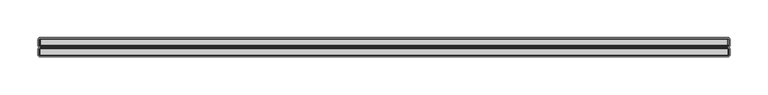
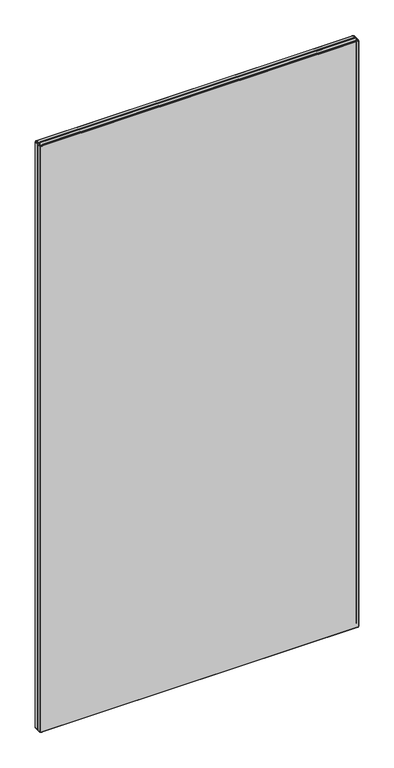
"""IFC4 building model written with IfcOpenShell, lengths in millimetres: furniture geometry."""

from ifc_helpers import new_model, si_unit, origin, place, context, project, spatial, triangles, source, transform, mapped, element, save


def furniture_0bd4a332(model_context):
    return source(origin(), model_context, "Body", "Tessellation", [
        triangles([(3734.4521896, 6006.3662629, 207.2580069), (3734.4521896, 5998.1983021, 207.2580069), (3733.3942599, 5998.1983021, 207.964995), (3733.3942599, 6006.3662629, 207.964995), (3735.6992065, 6007.8142849, 1981.3950462), (3735.0701751, 6007.8142849, 1981.2700539), (3734.6752864, 6007.3912003, 1982.2240654), (3735.6992065, 6007.3912003, 1982.42696), (3733.2262469, 6007.3912003, 209.2450041), (3732.6881984, 6006.3662629, 209.0219981), (3732.439231, 6006.3662629, 210.269996), (3733.0221896, 6007.3912003, 210.269996), (3734.6752864, 6007.3912003, 207.7970002), (3735.0701751, 6007.8142849, 208.7509935), (3735.6992065, 6007.8142849, 208.6260012), (3735.6992065, 6007.3912003, 207.5929974), (4643.1802974, 6006.3662629, 1983.0100639), (3735.6992065, 6006.3662629, 1983.0100639), (3735.6992065, 5998.1983021, 1983.0100639), (4643.1802974, 5998.1983021, 1983.0100639), (4646.4391101, 5998.1983021, 1979.7509605), (4646.4391101, 5998.1983021, 210.269996), (4646.4391101, 6006.3662629, 210.269996), (4646.4391101, 6006.3662629, 1979.7509605), (4644.4273143, 5998.1983021, 1982.7619686), (4644.4273143, 6006.3662629, 1982.7619686), (4645.0732051, 6007.3912003, 1981.6429962), (4644.2043628, 6007.3912003, 1982.2240654), (4645.4850986, 6006.3662629, 1982.0560524), (4643.1802974, 6007.3912003, 1982.42696), (4643.8093288, 6007.8142849, 1981.2700539), (4643.1802974, 6007.8142849, 1981.3950462), (4644.3421451, 6007.8142849, 1980.9129536), (3732.6881984, 6006.3662629, 1980.9979774), (3732.6881984, 5998.1983021, 1980.9979774), (3733.3942599, 5998.1983021, 1982.0560524), (3733.3942599, 6006.3662629, 1982.0560524), (3732.439231, 5998.1983021, 1979.7509605), (3732.439231, 6006.3662629, 1979.7509605), (3733.2262469, 6007.3912003, 1980.7750259), (3733.0221896, 6007.3912003, 1979.7509605), (3734.4521896, 6006.3662629, 1982.7619686), (3733.8062988, 6007.3912003, 1981.6429962), (4645.6531116, 6007.3912003, 1980.7750259), (4644.6991, 6007.8142849, 1980.3799919), (3735.6992065, 6006.3662629, 207.0100024), (3733.8062988, 6007.3912003, 208.3769975), (4646.1911601, 6006.3662629, 1980.9979774), (3734.5372134, 6007.8142849, 209.1070038), (4645.8571689, 6007.3912003, 210.269996), (4645.8571689, 6007.3912003, 1979.7509605), (4646.1911601, 5998.1983021, 209.0219981), (4646.1911601, 6006.3662629, 209.0219981), (4645.4850986, 5998.1983021, 1982.0560524), (4646.1911601, 5998.1983021, 1980.9979774), (3734.0552661, 6007.8142849, 1979.7509605), (3734.0552661, 6007.8142849, 210.269996), (4645.4850986, 6006.3662629, 207.964995), (4645.4850986, 5998.1983021, 207.964995), (3735.6992065, 5998.1983021, 207.0100024), (4644.4273143, 5998.1983021, 207.2580069), (4644.4273143, 6006.3662629, 207.2580069), (4643.1802974, 6006.3662629, 207.0100024), (4643.1802974, 5998.1983021, 207.0100024), (4643.1802974, 6007.3912003, 207.5929974), (4644.2043628, 6007.3912003, 207.7970002), (4645.0732051, 6007.3912003, 208.3769975), (4645.6531116, 6007.3912003, 209.2450041), (4644.6991, 6007.8142849, 209.6400018), (4644.8243831, 6007.8142849, 210.269996), (4644.3421451, 6007.8142849, 209.1070038), (4643.8093288, 6007.8142849, 208.7509935), (4643.1802974, 6007.8142849, 208.6260012), (3734.1802585, 6007.8142849, 209.6400018), (4644.8243831, 6007.8142849, 1979.7509605), (3734.5372134, 6007.8142849, 1980.9129536), (3734.4521896, 5998.1983021, 1982.7619686), (3734.1802585, 6007.8142849, 1980.3799919), (3732.439231, 5998.1983021, 210.269996), (3732.6881984, 5998.1983021, 209.0219981), (3735.6992065, 6006.3662629, 1982.8680668), (3735.6992065, 5997.1732193, 1982.42696), (3735.6992065, 5996.75028, 1981.3950462), (4643.1802974, 5996.75028, 1981.3950462), (4643.1802974, 5997.1732193, 1982.42696), (3734.5242782, 5995.8001927, 1979.6560535), (3735.7942588, 5995.8001927, 1980.9260342), (3735.308242, 5995.8001927, 1980.8289471), (3734.6212199, 5995.8001927, 1980.1420704), (4643.8093288, 5996.75028, 1981.2700539), (4644.2043628, 5997.1732193, 1982.2240654), (4643.1802974, 6009.1873116, 1981.3950462), (3735.6992065, 6009.1873116, 1981.3950462), (3734.0552661, 6009.1873116, 210.269996), (3734.1802585, 6009.1873116, 209.6400018), (4645.6531116, 5997.1732193, 1980.7750259), (4645.0732051, 5997.1732193, 1981.6429962), (3734.1802585, 6009.1873116, 1980.3799919), (3734.0552661, 6009.1873116, 1979.7509605), (4644.8243831, 6009.1873116, 1979.7509605), (4644.6991, 6009.1873116, 1980.3799919), (3735.0701751, 6009.1873116, 1981.2700539), (3734.5372134, 6009.1873116, 1980.9129536), (4643.5712619, 5995.8001927, 1980.8289471), (4643.0852451, 5995.8001927, 1980.9260342), (4644.3552257, 5995.8001927, 1979.6560535), (4644.2581386, 5995.8001927, 1980.1420704), (3734.6212199, 5995.8001927, 209.8789952), (3734.8962032, 5995.8001927, 209.4669927), (3735.308242, 5995.8001927, 209.1909921), (3734.5242782, 5995.8001927, 210.3649939), (4644.3552257, 5995.8001927, 210.3649939), (4644.2581386, 5995.8001927, 209.8789952), (4643.0852451, 5995.8001927, 209.0949951), (4643.5712619, 5995.8001927, 209.1909921), (3735.7942588, 5995.8001927, 209.0949951), (4643.8093288, 6009.1873116, 1981.2700539), (4644.3421451, 6009.1873116, 1980.9129536), (4643.8093288, 6009.1873116, 208.7509935), (4643.1802974, 6009.1873116, 208.6260012), (4643.9831554, 5995.8001927, 209.4669927), (3735.6992065, 6009.1873116, 208.6260012), (3735.0701751, 6009.1873116, 208.7509935), (3734.5372134, 6009.1873116, 209.1070038), (4644.3421451, 6009.1873116, 209.1070038), (3734.8962032, 5995.8001927, 1980.5539639), (4644.8243831, 6009.1873116, 210.269996), (4643.9831554, 5995.8001927, 1980.5539639), (4644.6991, 6009.1873116, 209.6400018), (4645.8571689, 5997.1732193, 1979.7509605), (3733.0221896, 5997.1732193, 210.269996), (3734.0552661, 5996.75028, 210.269996), (3734.0552661, 5996.75028, 1979.7509605), (3733.0221896, 5997.1732193, 1979.7509605), (4645.6531116, 5997.1732193, 209.2450041), (4644.6991, 5996.75028, 209.6400018), (4644.3421451, 5996.75028, 209.1070038), (4645.0732051, 5997.1732193, 208.3769975), (3734.6752864, 5997.1732193, 207.7970002), (3733.8062988, 5997.1732193, 208.3769975), (3735.6992065, 5997.1732193, 207.5929974), (3735.0701751, 5996.75028, 208.7509935), (3734.5372134, 5996.75028, 209.1070038), (3734.1802585, 5996.75028, 209.6400018), (3733.2262469, 5997.1732193, 209.2450041), (4645.8571689, 5997.1732193, 210.269996), (4643.1802974, 5997.1732193, 207.5929974), (4644.2043628, 5997.1732193, 207.7970002), (4644.8243831, 5996.75028, 210.269996), (4643.8093288, 5996.75028, 208.7509935), (3735.6992065, 5996.75028, 208.6260012), (3734.1802585, 5996.75028, 1980.3799919), (3734.5372134, 5996.75028, 1980.9129536), (3733.8062988, 5997.1732193, 1981.6429962), (3733.2262469, 5997.1732193, 1980.7750259), (3735.0701751, 5996.75028, 1981.2700539), (4644.3421451, 5996.75028, 1980.9129536), (4644.6991, 5996.75028, 1980.3799919), (4643.1802974, 5996.75028, 208.6260012), (4644.8243831, 5996.75028, 1979.7509605), (3734.6752864, 5997.1732193, 1982.2240654), (3735.6992065, 6009.6092335, 1982.42696), (3735.6992065, 6010.6343163, 1983.0100639), (3734.4521896, 6010.6343163, 1982.7619686), (3734.6752864, 6009.6092335, 1982.2240654), (4645.4850986, 6018.8032944, 207.964995), (4646.1911601, 6018.8032944, 209.0219981), (4646.1911601, 6010.6343163, 209.0219981), (4645.4850986, 6010.6343163, 207.964995), (4644.2043628, 6009.6092335, 207.7970002), (4644.4273143, 6010.6343163, 207.2580069), (4645.0732051, 6009.6092335, 208.3769975), (4646.1911601, 6010.6343163, 1980.9979774), (4646.1911601, 6018.8032944, 1980.9979774), (4645.4850986, 6018.8032944, 1982.0560524), (4645.4850986, 6010.6343163, 1982.0560524), (4645.6531116, 6009.6092335, 209.2450041), (4645.8571689, 6009.6092335, 210.269996), (3735.6992065, 6010.6343163, 207.0100024), (3734.4521896, 6010.6343163, 207.2580069), (3734.4521896, 6018.8032944, 207.2580069), (3735.6992065, 6018.8032944, 207.0100024), (4643.1802974, 6018.8032944, 207.0100024), (4644.4273143, 6018.8032944, 207.2580069), (4643.1802974, 6010.6343163, 207.0100024), (4645.6531116, 6009.6092335, 1980.7750259), (4645.0732051, 6009.6092335, 1981.6429962), (4646.4391101, 6010.6343163, 1979.7509605), (4645.8571689, 6009.6092335, 1979.7509605), (3733.3942599, 6010.6343163, 1982.0560524), (3734.4521896, 6018.8032944, 1982.7619686), (3733.3942599, 6018.8032944, 1982.0560524), (3733.8062988, 6009.6092335, 208.3769975), (3733.2262469, 6009.6092335, 209.2450041), (3732.6881984, 6010.6343163, 209.0219981), (3733.3942599, 6010.6343163, 207.964995), (3735.6992065, 6009.6092335, 207.5929974), (3734.6752864, 6009.6092335, 207.7970002), (4646.4391101, 6010.6343163, 210.269996), (4646.4391101, 6018.8032944, 210.269996), (4646.4391101, 6018.8032944, 1979.7509605), (3733.3942599, 6018.8032944, 207.964995), (3735.6992065, 6018.8032944, 1983.0100639), (4644.2043628, 6009.6092335, 1982.2240654), (4644.4273143, 6010.6343163, 1982.7619686), (4643.1802974, 6010.6343163, 1983.0100639), (4643.1802974, 6009.6092335, 1982.42696), (3733.8062988, 6009.6092335, 1981.6429962), (3732.6881984, 6010.6343163, 1980.9979774), (3733.2262469, 6009.6092335, 1980.7750259), (3733.0221896, 6009.6092335, 210.269996), (4643.1802974, 6009.6092335, 207.5929974), (4644.4273143, 6018.8032944, 1982.7619686), (4643.1802974, 6018.8032944, 1983.0100639), (3732.439231, 6010.6343163, 1979.7509605), (3732.6881984, 6018.8032944, 1980.9979774), (3732.439231, 6018.8032944, 1979.7509605), (3732.439231, 6010.6343163, 210.269996), (3733.0221896, 6009.6092335, 1979.7509605), (3735.6992065, 6010.6343163, 1982.8680668), (3732.439231, 6018.8032944, 210.269996), (3732.6881984, 6018.8032944, 209.0219981), (3733.2262469, 6019.8282319, 1980.7750259), (3733.8062988, 6019.8282319, 1981.6429962), (3735.6992065, 6020.2502991, 1981.3950462), (3735.0701751, 6020.2502991, 1981.2700539), (3734.6752864, 6019.8282319, 1982.2240654), (3735.6992065, 6019.8282319, 1982.42696), (3734.5372134, 6020.2502991, 1980.9129536), (3734.1802585, 6020.2502991, 1980.3799919), (3734.0552661, 6020.2502991, 1979.7509605), (3733.0221896, 6019.8282319, 1979.7509605), (3734.0552661, 6020.2502991, 210.269996), (3733.0221896, 6019.8282319, 210.269996), (3734.6752864, 6019.8282319, 207.7970002), (3733.8062988, 6019.8282319, 208.3769975), (3734.6212199, 6021.2002411, 209.8789952), (3735.308242, 6021.2002411, 209.1909921), (3734.8962032, 6021.2002411, 209.4669927), (3734.5242782, 6021.2002411, 1979.6560535), (3735.7942588, 6021.2002411, 1980.9260342), (4643.0852451, 6021.2002411, 1980.9260342), (4644.3552257, 6021.2002411, 1979.6560535), (4645.0732051, 6019.8282319, 1981.6429962), (4644.3421451, 6020.2502991, 1980.9129536), (4643.8093288, 6020.2502991, 1981.2700539), (4644.2043628, 6019.8282319, 1982.2240654), (3733.2262469, 6019.8282319, 209.2450041), (3734.6212199, 6021.2002411, 1980.1420704), (3735.308242, 6021.2002411, 1980.8289471), (4643.5712619, 6021.2002411, 209.1909921), (4644.2581386, 6021.2002411, 209.8789952), (4643.9831554, 6021.2002411, 209.4669927), (4643.1802974, 6019.8282319, 1982.42696), (4645.6531116, 6019.8282319, 1980.7750259), (4644.6991, 6020.2502991, 1980.3799919), (4644.3552257, 6021.2002411, 210.3649939), (3734.5242782, 6021.2002411, 210.3649939), (3735.6992065, 6019.8282319, 207.5929974), (3734.1802585, 6020.2502991, 209.6400018), (4643.5712619, 6021.2002411, 1980.8289471), (4643.9831554, 6021.2002411, 1980.5539639), (4644.2581386, 6021.2002411, 1980.1420704), (4645.8571689, 6019.8282319, 1979.7509605), (3734.5372134, 6020.2502991, 209.1070038), (3734.8962032, 6021.2002411, 1980.5539639), (3735.0701751, 6020.2502991, 208.7509935), (3735.6992065, 6020.2502991, 208.6260012), (4644.8243831, 6020.2502991, 1979.7509605), (3735.7942588, 6021.2002411, 209.0949951), (4643.1802974, 6020.2502991, 1981.3950462), (4643.0852451, 6021.2002411, 209.0949951), (4645.8571689, 6019.8282319, 210.269996), (4644.8243831, 6020.2502991, 210.269996), (4643.1802974, 6020.2502991, 208.6260012), (4643.1802974, 6019.8282319, 207.5929974), (4644.3421451, 6020.2502991, 209.1070038), (4643.8093288, 6020.2502991, 208.7509935), (4644.6991, 6020.2502991, 209.6400018), (4645.0732051, 6019.8282319, 208.3769975), (4644.2043628, 6019.8282319, 207.7970002), (4645.6531116, 6019.8282319, 209.2450041)], [[1, 2, 3], [1, 3, 4], [5, 6, 7], [5, 7, 8], [9, 10, 11], [9, 11, 12], [13, 14, 15], [13, 15, 16], [17, 18, 19], [17, 19, 20], [21, 22, 23], [21, 23, 24], [17, 20, 25], [17, 25, 26], [27, 28, 26], [27, 26, 29], [30, 17, 26], [30, 26, 28], [30, 28, 31], [30, 31, 32], [27, 33, 31], [27, 31, 28], [34, 35, 36], [34, 36, 37], [38, 35, 34], [38, 34, 39], [39, 34, 40], [39, 40, 41], [37, 42, 7], [37, 7, 43], [27, 44, 45], [27, 45, 33], [40, 34, 37], [40, 37, 43], [7, 42, 18], [7, 18, 8], [46, 1, 13], [46, 13, 16], [4, 10, 9], [4, 9, 47], [27, 29, 48], [27, 48, 44], [49, 14, 13], [49, 13, 47], [24, 23, 50], [24, 50, 51], [23, 22, 52], [23, 52, 53], [13, 1, 4], [13, 4, 47], [29, 54, 55], [29, 55, 48], [41, 56, 57], [41, 57, 12], [58, 53, 52], [58, 52, 59], [60, 2, 1], [60, 1, 46], [58, 59, 61], [58, 61, 62], [63, 62, 61], [63, 61, 64], [65, 66, 62], [65, 62, 63], [67, 58, 62], [67, 62, 66], [67, 68, 53], [67, 53, 58], [50, 23, 53], [50, 53, 68], [50, 68, 69], [50, 69, 70], [67, 71, 69], [67, 69, 68], [67, 66, 72], [67, 72, 71], [65, 73, 72], [65, 72, 66], [64, 60, 46], [64, 46, 63], [9, 74, 49], [9, 49, 47], [50, 70, 75], [50, 75, 51], [7, 6, 76], [7, 76, 43], [57, 74, 9], [57, 9, 12], [29, 26, 25], [29, 25, 54], [36, 77, 42], [36, 42, 37], [24, 48, 55], [24, 55, 21], [51, 75, 45], [51, 45, 44], [76, 78, 40], [76, 40, 43], [30, 32, 5], [30, 5, 8], [40, 78, 56], [40, 56, 41], [39, 11, 79], [39, 79, 38], [41, 12, 11], [41, 11, 39], [3, 80, 10], [3, 10, 4], [10, 80, 79], [10, 79, 11], [42, 77, 19], [42, 19, 18], [51, 44, 48], [51, 48, 24], [30, 8, 81], [30, 81, 17], [82, 83, 84], [82, 84, 85], [58, 62, 66], [58, 66, 67], [16, 13, 14], [16, 14, 15], [47, 49, 14], [47, 14, 13], [86, 87, 88], [86, 88, 89], [84, 90, 91], [84, 91, 85], [92, 93, 5], [92, 5, 32], [94, 95, 74], [94, 74, 57], [96, 55, 54], [96, 54, 97], [98, 99, 56], [98, 56, 78], [100, 101, 45], [100, 45, 75], [47, 9, 74], [47, 74, 49], [68, 69, 70], [68, 70, 50], [16, 15, 73], [16, 73, 65], [4, 3, 80], [4, 80, 10], [102, 103, 76], [102, 76, 6], [16, 46, 1], [16, 1, 13], [106, 104, 105], [104, 106, 107], [108, 109, 110], [106, 105, 87], [106, 87, 86], [73, 72, 66], [73, 66, 65], [46, 60, 2], [46, 2, 1], [47, 4, 10], [47, 10, 9], [106, 86, 111], [106, 111, 112], [114, 113, 112], [113, 114, 115], [111, 116, 114], [111, 114, 112], [68, 53, 58], [68, 58, 67], [102, 6, 5], [102, 5, 93], [92, 32, 31], [92, 31, 117], [118, 33, 45], [118, 45, 101], [119, 72, 73], [119, 73, 120], [115, 121, 113], [122, 15, 14], [122, 14, 123], [71, 69, 68], [71, 68, 67], [124, 123, 14], [124, 14, 49], [119, 125, 71], [119, 71, 72], [53, 52, 59], [53, 59, 58], [66, 72, 71], [66, 71, 67], [124, 49, 74], [124, 74, 95], [94, 57, 56], [94, 56, 99], [91, 25, 20], [91, 20, 85], [20, 19, 82], [20, 82, 85], [22, 52, 53], [22, 53, 23], [118, 117, 31], [118, 31, 33], [108, 110, 116], [111, 108, 116], [89, 88, 126], [23, 53, 68], [23, 68, 50], [59, 61, 62], [59, 62, 58], [62, 61, 64], [62, 64, 63], [63, 46, 16], [63, 16, 65], [11, 10, 80], [11, 80, 79], [98, 78, 76], [98, 76, 103], [100, 75, 70], [100, 70, 127], [104, 107, 128], [47, 13, 1], [47, 1, 4], [129, 127, 70], [129, 70, 69], [12, 57, 74], [12, 74, 9], [4, 1, 2], [4, 2, 3], [129, 69, 71], [129, 71, 125], [122, 120, 73], [122, 73, 15], [21, 55, 96], [21, 96, 130], [54, 25, 91], [54, 91, 97], [12, 9, 10], [12, 10, 11], [66, 62, 63], [66, 63, 65], [131, 132, 133], [131, 133, 134], [135, 136, 137], [135, 137, 138], [3, 2, 139], [3, 139, 140], [139, 2, 60], [139, 60, 141], [139, 142, 143], [139, 143, 140], [143, 144, 145], [143, 145, 140], [140, 3, 2], [140, 2, 139], [140, 145, 80], [140, 80, 3], [146, 135, 52], [146, 52, 22], [147, 64, 61], [147, 61, 148], [149, 136, 135], [149, 135, 146], [140, 143, 144], [140, 144, 145], [138, 137, 150], [138, 150, 148], [151, 142, 139], [151, 139, 141], [145, 144, 132], [145, 132, 131], [152, 89, 126], [152, 126, 153], [131, 79, 80], [131, 80, 145], [141, 151, 142], [141, 142, 139], [138, 59, 52], [138, 52, 135], [59, 52, 135], [59, 135, 138], [152, 133, 86], [152, 86, 89], [137, 150, 148], [137, 148, 138], [154, 155, 152], [154, 152, 153], [156, 153, 126], [156, 126, 88], [91, 90, 157], [91, 157, 97], [156, 88, 87], [156, 87, 83], [64, 61, 148], [64, 148, 147], [38, 79, 131], [38, 131, 134], [135, 52, 22], [135, 22, 146], [138, 148, 61], [138, 61, 59], [84, 83, 87], [84, 87, 105], [84, 105, 104], [84, 104, 90], [157, 90, 104], [157, 104, 128], [157, 128, 107], [157, 107, 158], [147, 159, 151], [147, 151, 141], [130, 160, 149], [130, 149, 146], [160, 158, 107], [160, 107, 106], [132, 111, 86], [132, 86, 133], [111, 132, 144], [111, 144, 108], [109, 108, 144], [109, 144, 143], [109, 143, 142], [109, 142, 110], [116, 110, 142], [116, 142, 151], [159, 114, 116], [159, 116, 151], [140, 139, 142], [140, 142, 143], [130, 146, 22], [130, 22, 21], [148, 61, 59], [148, 59, 138], [134, 155, 35], [134, 35, 38], [154, 153, 156], [154, 156, 161], [154, 36, 35], [154, 35, 155], [154, 161, 77], [154, 77, 36], [82, 19, 77], [82, 77, 161], [131, 145, 144], [131, 144, 132], [96, 158, 160], [96, 160, 130], [148, 150, 159], [148, 159, 147], [157, 158, 96], [157, 96, 97], [141, 139, 2], [141, 2, 60], [82, 161, 156], [82, 156, 83], [147, 141, 60], [147, 60, 64], [147, 148, 150], [147, 150, 159], [138, 135, 136], [138, 136, 137], [134, 133, 152], [134, 152, 155], [146, 149, 136], [146, 136, 135], [79, 80, 145], [79, 145, 131], [145, 80, 3], [145, 3, 140], [162, 163, 164], [162, 164, 165], [166, 167, 168], [166, 168, 169], [170, 171, 169], [170, 169, 172], [173, 174, 175], [173, 175, 176], [127, 129, 177], [127, 177, 178], [177, 129, 125], [177, 125, 172], [179, 180, 181], [179, 181, 182], [183, 184, 171], [183, 171, 185], [112, 113, 136], [112, 136, 149], [186, 173, 176], [186, 176, 187], [188, 173, 186], [188, 186, 189], [190, 164, 191], [190, 191, 192], [193, 194, 195], [193, 195, 196], [197, 122, 123], [197, 123, 198], [114, 159, 150], [114, 150, 115], [118, 101, 186], [118, 186, 187], [188, 199, 200], [188, 200, 201], [171, 184, 166], [171, 166, 169], [177, 168, 199], [177, 199, 178], [125, 119, 170], [125, 170, 172], [185, 179, 182], [185, 182, 183], [168, 167, 200], [168, 200, 199], [196, 202, 181], [196, 181, 180], [121, 137, 136], [121, 136, 113], [163, 203, 191], [163, 191, 164], [169, 168, 177], [169, 177, 172], [193, 198, 123], [193, 123, 124], [204, 205, 206], [204, 206, 207], [208, 190, 209], [208, 209, 210], [211, 194, 95], [211, 95, 94], [185, 171, 170], [185, 170, 212], [170, 119, 120], [170, 120, 212], [185, 183, 184], [185, 184, 171], [205, 213, 214], [205, 214, 206], [215, 209, 216], [215, 216, 217], [215, 218, 211], [215, 211, 219], [197, 198, 180], [197, 180, 179], [193, 124, 95], [193, 95, 194], [206, 220, 162], [206, 162, 207], [219, 99, 98], [219, 98, 210], [189, 100, 127], [189, 127, 178], [201, 174, 173], [201, 173, 188], [162, 165, 102], [162, 102, 93], [160, 106, 112], [160, 112, 149], [204, 117, 118], [204, 118, 187], [121, 115, 150], [121, 150, 137], [92, 117, 204], [92, 204, 207], [186, 101, 100], [186, 100, 189], [208, 103, 102], [208, 102, 165], [176, 205, 204], [176, 204, 187], [214, 203, 163], [214, 163, 206], [190, 192, 216], [190, 216, 209], [208, 165, 164], [208, 164, 190], [208, 210, 98], [208, 98, 103], [217, 221, 218], [217, 218, 215], [211, 94, 99], [211, 99, 219], [218, 221, 222], [218, 222, 195], [196, 195, 222], [196, 222, 202], [193, 196, 180], [193, 180, 198], [211, 218, 195], [211, 195, 194], [175, 213, 205], [175, 205, 176], [219, 210, 209], [219, 209, 215], [162, 93, 92], [162, 92, 207], [189, 178, 199], [189, 199, 188], [223, 216, 192], [223, 192, 224], [225, 226, 227], [225, 227, 228], [229, 230, 223], [229, 223, 224], [202, 181, 180], [202, 180, 196], [212, 185, 171], [212, 171, 170], [218, 195, 194], [218, 194, 211], [223, 230, 231], [223, 231, 232], [172, 170, 171], [172, 171, 169], [195, 222, 202], [195, 202, 196], [232, 231, 233], [232, 233, 234], [235, 181, 202], [235, 202, 236], [237, 238, 239], [240, 241, 242], [240, 242, 243], [244, 245, 246], [244, 246, 247], [202, 222, 248], [202, 248, 236], [180, 181, 182], [180, 182, 179], [249, 250, 241], [240, 249, 241], [251, 252, 253], [244, 247, 213], [244, 213, 175], [254, 214, 213], [254, 213, 247], [244, 255, 256], [244, 256, 245], [257, 258, 240], [257, 240, 243], [254, 228, 203], [254, 203, 214], [192, 191, 227], [192, 227, 224], [244, 175, 174], [244, 174, 255], [232, 234, 221], [232, 221, 217], [248, 222, 221], [248, 221, 234], [182, 181, 235], [182, 235, 259], [233, 260, 248], [233, 248, 234], [178, 127, 129], [178, 129, 177], [261, 262, 263], [264, 255, 174], [264, 174, 201], [248, 260, 265], [248, 265, 236], [249, 266, 250], [265, 267, 235], [265, 235, 236], [235, 267, 268], [235, 268, 259], [212, 170, 119], [212, 119, 120], [172, 169, 168], [172, 168, 177], [221, 222, 195], [221, 195, 218], [198, 180, 179], [198, 179, 197], [124, 95, 194], [124, 194, 193], [264, 269, 256], [264, 256, 255], [172, 125, 119], [172, 119, 170], [122, 123, 198], [122, 198, 197], [194, 95, 94], [194, 94, 211], [227, 191, 203], [227, 203, 228], [227, 226, 229], [227, 229, 224], [212, 120, 122], [212, 122, 197], [212, 197, 179], [212, 179, 185], [169, 171, 184], [169, 184, 166], [194, 195, 196], [194, 196, 193], [169, 166, 167], [169, 167, 168], [196, 180, 198], [196, 198, 193], [258, 270, 238], [258, 238, 237], [254, 247, 246], [254, 246, 271], [217, 216, 223], [217, 223, 232], [172, 177, 129], [172, 129, 125], [198, 123, 124], [198, 124, 193], [178, 177, 168], [178, 168, 199], [242, 263, 243], [263, 242, 261], [257, 251, 272], [251, 257, 252], [199, 168, 167], [199, 167, 200], [257, 272, 270], [257, 270, 258], [254, 271, 225], [254, 225, 228], [237, 260, 233], [237, 233, 258], [273, 274, 269], [273, 269, 264], [259, 268, 275], [259, 275, 276], [236, 265, 267], [236, 267, 235], [268, 267, 238], [268, 238, 270], [277, 278, 251], [277, 251, 253], [252, 279, 277], [252, 277, 253], [280, 166, 184], [280, 184, 281], [277, 279, 282], [277, 282, 280], [259, 235, 267], [259, 267, 268], [280, 277, 279], [280, 279, 282], [249, 240, 231], [249, 231, 230], [231, 240, 258], [231, 258, 233], [274, 279, 252], [274, 252, 257], [280, 281, 278], [280, 278, 277], [282, 279, 274], [282, 274, 273], [200, 167, 282], [200, 282, 273], [276, 275, 278], [276, 278, 281], [236, 248, 260], [236, 260, 265], [273, 282, 279], [273, 279, 274], [225, 241, 250], [225, 250, 226], [242, 241, 225], [271, 242, 225], [234, 233, 260], [234, 260, 248], [273, 200, 167], [273, 167, 282], [282, 167, 166], [282, 166, 280], [229, 266, 249], [229, 249, 230], [250, 266, 229], [250, 229, 226], [243, 263, 256], [243, 256, 269], [268, 270, 272], [268, 272, 275], [274, 257, 243], [274, 243, 269], [234, 248, 222], [234, 222, 221], [166, 184, 281], [166, 281, 280], [183, 182, 259], [183, 259, 276], [276, 281, 184], [276, 184, 183], [251, 278, 275], [251, 275, 272], [265, 260, 237], [265, 237, 239], [259, 182, 181], [259, 181, 235], [281, 278, 277], [281, 277, 280], [256, 263, 262], [256, 262, 245], [236, 202, 222], [236, 222, 248], [262, 261, 246], [262, 246, 245], [281, 184, 183], [281, 183, 276], [238, 267, 265], [238, 265, 239], [236, 235, 181], [236, 181, 202], [201, 200, 273], [201, 273, 264], [246, 261, 242], [246, 242, 271], [280, 282, 167], [280, 167, 166], [275, 278, 281], [275, 281, 276]], closed=False),
    ])


if __name__ == "__main__":
    model = new_model("IFC4")
    model_context = context("Model", 3, world=origin())
    ifc_project = project(units=[si_unit("LENGTHUNIT", "METRE", prefix="MILLI")], contexts=[model_context])
    site = spatial("IfcSite", under=ifc_project)
    building = spatial("IfcBuilding", under=site)
    placement = place(None, origin())
    furniture_shape = furniture_0bd4a332(model_context)
    element("IfcFurniture", 1, at=placement, inside=building, context=model_context, shape_type="MappedRepresentation", body=[
        mapped(furniture_shape, transform((0.0, 0.0, 0.0), x_axis=(1.0, 0.0, 0.0), y_axis=(0.0, 1.0, 0.0), z_axis=(0.0, 0.0, 1.0))),
    ])
    save(model, "model.ifc")
